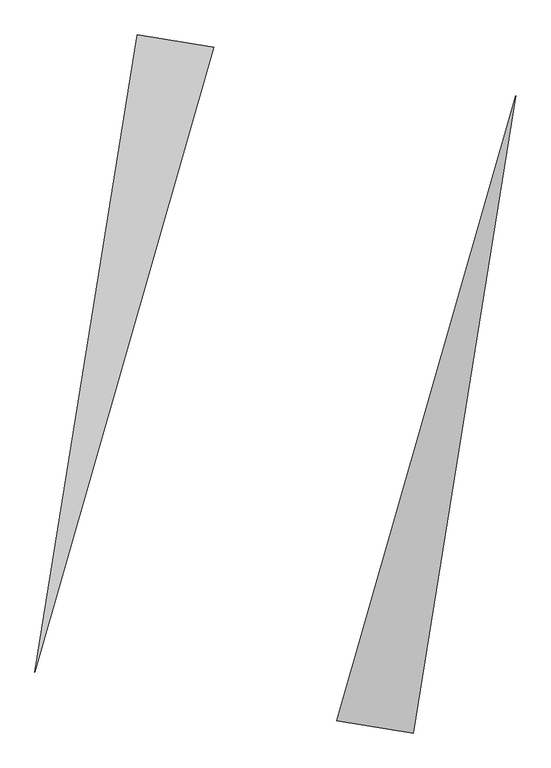
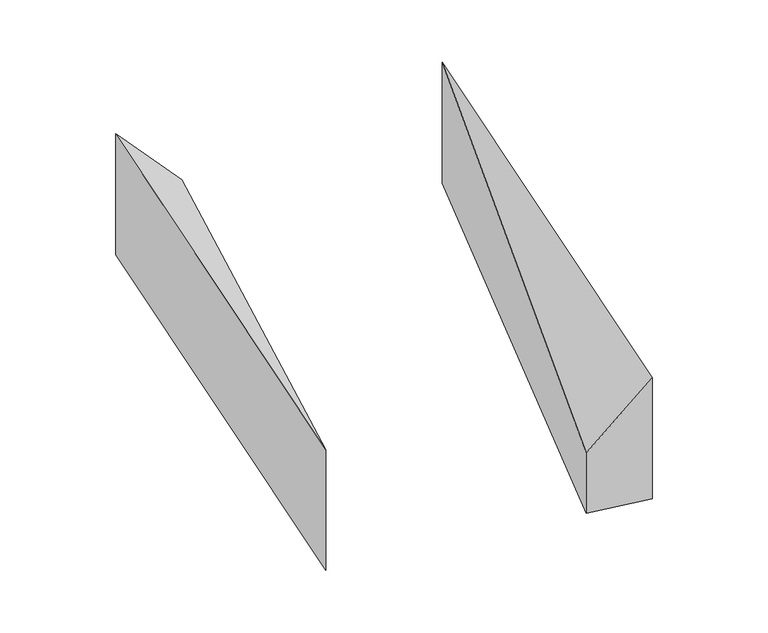
"""IFC4 building model written with IfcOpenShell, lengths in millimetres: proxy geometry."""

from ifc_helpers import new_model, si_unit, origin, place, context, project, spatial, faceted_brep, source, transform, mapped, element, save


def generic_models_71947f93(model_context):
    return source(origin(), model_context, "Body", "Brep", [
        faceted_brep([(-380.9843967, 2086.5900785, 0.0), (-856.0170022, 2162.7277087, 0.0), (-856.0170022, 2162.7277087, 1000.0), (-380.9843967, 2086.5900785, 500.0), (-1489.0524341, -1786.862921, 0.0), (-1489.0524341, -1786.862921, 1000.0)], [[[0, 1, 2, 3]], [[1, 4, 5, 2]], [[4, 0, 3, 5]], [[3, 2, 5]], [[0, 4, 1]]]),
        faceted_brep([(856.0170022, -2162.7277087, 0.0), (1489.0524341, 1786.862921, 0.0), (1489.0524341, 1786.862921, 1000.0), (856.0170022, -2162.7277087, 1000.0), (380.9843967, -2086.5900785, 0.0), (380.9843967, -2086.5900785, 500.0)], [[[0, 1, 2, 3]], [[1, 4, 5, 2]], [[4, 0, 3, 5]], [[2, 5, 3]], [[0, 4, 1]]]),
    ])


if __name__ == "__main__":
    model = new_model("IFC4")
    model_context = context("Model", 3, world=origin())
    ifc_project = project(units=[si_unit("LENGTHUNIT", "METRE", prefix="MILLI")], contexts=[model_context])
    site = spatial("IfcSite", under=ifc_project)
    building = spatial("IfcBuilding", under=site)
    placement = place(None, origin())
    generic_models_shape = generic_models_71947f93(model_context)
    element("IfcBuildingElementProxy", 1, Name="Generic Models", at=placement, inside=building, context=model_context, shape_type="MappedRepresentation", body=[
        mapped(generic_models_shape, transform((0.0, 0.0, 0.0), x_axis=(1.0, 0.0, 0.0), y_axis=(0.0, 1.0, 0.0), z_axis=(0.0, 0.0, 1.0))),
    ])
    save(model, "model.ifc")
